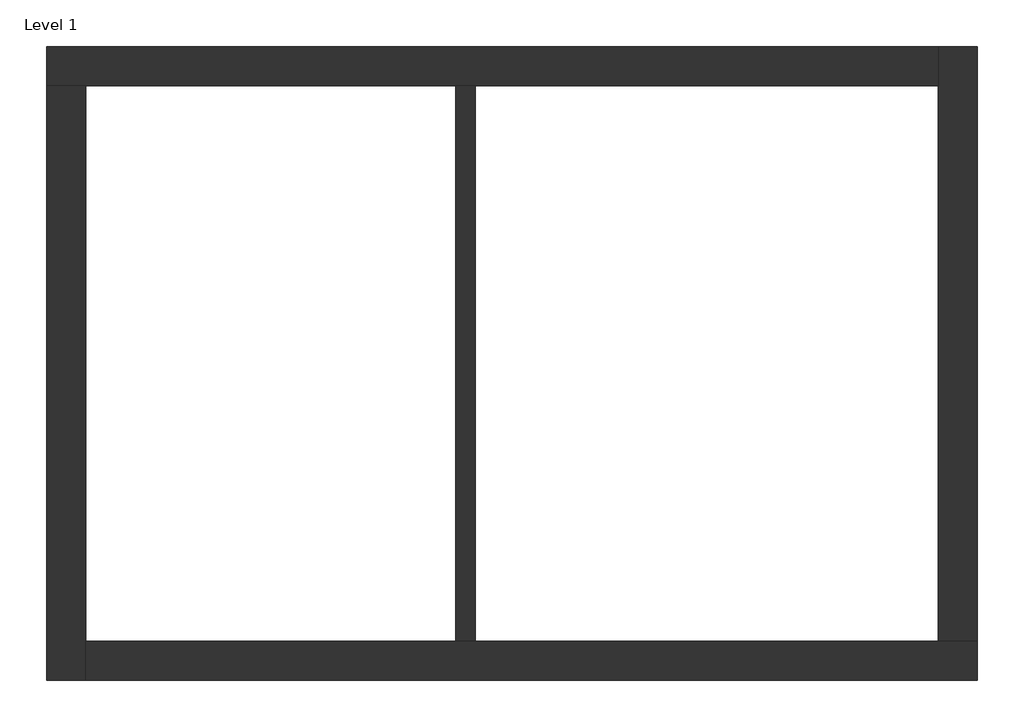
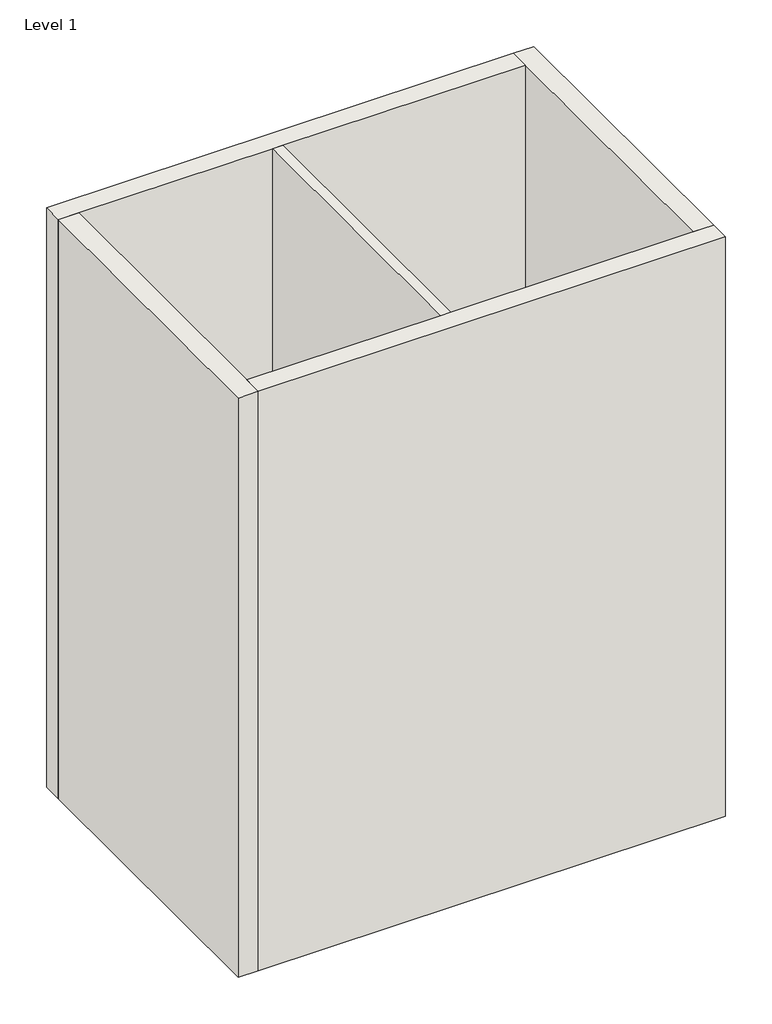
# One storey: 5 walls.
"""IFC4 building model written with IfcOpenShell, lengths in millimetres."""

from ifc_helpers import new_model, si_unit, origin, origin_with_axes, place, context, project, spatial, polyline, outline, extrude, faceted_brep, element, save

model = new_model("IFC4")

# Units and contexts
model_context = context("Model", 3, world=origin())
ifc_project = project(units=[si_unit("LENGTHUNIT", "METRE", prefix="MILLI")], contexts=[model_context])

# Site, building, storey
site = spatial("IfcSite", under=ifc_project)
building = spatial("IfcBuilding", under=site)
storey = spatial("IfcBuildingStorey", under=building, Name="Level 1", Elevation=0.0)

# Walls
placement = place(None, origin())
element("IfcWall", 1, ObjectType="Wall 1", at=placement, inside=storey, context=model_context, shape_type="Brep", body=[
    faceted_brep([(-88.1175168, 3525.4589927, 0.0), (115.0824832, 3525.4589927, 0.0), (2045.4824832, 3525.4589927, 0.0), (2147.0824832, 3525.4589927, 0.0), (4560.0824832, 3525.4589927, 0.0), (4560.0824832, 3525.4589927, 6096.0), (2147.0824832, 3525.4589927, 6096.0), (2045.4824832, 3525.4589927, 6096.0), (115.0824832, 3525.4589927, 6096.0), (-88.1175168, 3525.4589927, 6096.0), (-88.1175168, 3728.6589927, 0.0), (-88.1175168, 3728.6589927, 6096.0), (4560.0824832, 3728.6589927, 6096.0), (4560.0824832, 3728.6589927, 0.0)], [[[0, 1, 2, 3, 4, 5, 6, 7, 8, 9]], [[10, 11, 12, 13]], [[4, 3, 2, 1, 0, 10, 13]], [[9, 8, 7, 6, 5, 12, 11]], [[0, 9, 11, 10]], [[5, 4, 13, 12]]]),
])
element("IfcWall", 2, ObjectType="Wall 1", at=placement, inside=storey, context=model_context, shape_type="Brep", body=[
    faceted_brep([(115.0824832, 426.6589927, 0.0), (115.0824832, 629.8589927, 0.0), (115.0824832, 3525.4589927, 0.0), (115.0824832, 3525.4589927, 6096.0), (115.0824832, 629.8589927, 6096.0), (115.0824832, 426.6589927, 6096.0), (-88.1175168, 426.6589927, 0.0), (-88.1175168, 426.6589927, 6096.0), (-88.1175168, 3525.4589927, 6096.0), (-88.1175168, 3525.4589927, 0.0)], [[[0, 1, 2, 3, 4, 5]], [[6, 7, 8, 9]], [[2, 1, 0, 6, 9]], [[5, 4, 3, 8, 7]], [[0, 5, 7, 6]], [[3, 2, 9, 8]]]),
])
element("IfcWall", 3, ObjectType="Wall 1", at=placement, inside=storey, context=model_context, shape_type="Brep", body=[
    faceted_brep([(4763.2824832, 629.8589927, 0.0), (4560.0824832, 629.8589927, 0.0), (2147.0824832, 629.8589927, 0.0), (2045.4824832, 629.8589927, 0.0), (115.0824832, 629.8589927, 0.0), (115.0824832, 629.8589927, 6096.0), (2045.4824832, 629.8589927, 6096.0), (2147.0824832, 629.8589927, 6096.0), (4560.0824832, 629.8589927, 6096.0), (4763.2824832, 629.8589927, 6096.0), (4763.2824832, 426.6589927, 0.0), (4763.2824832, 426.6589927, 6096.0), (115.0824832, 426.6589927, 6096.0), (115.0824832, 426.6589927, 0.0)], [[[0, 1, 2, 3, 4, 5, 6, 7, 8, 9]], [[10, 11, 12, 13]], [[4, 3, 2, 1, 0, 10, 13]], [[9, 8, 7, 6, 5, 12, 11]], [[0, 9, 11, 10]], [[5, 4, 13, 12]]]),
])
element("IfcWall", 4, ObjectType="Wall 1", at=placement, inside=storey, context=model_context, shape_type="Brep", body=[
    faceted_brep([(4560.0824832, 3728.6589927, 0.0), (4560.0824832, 3525.4589927, 0.0), (4560.0824832, 629.8589927, 0.0), (4560.0824832, 629.8589927, 6096.0), (4560.0824832, 3525.4589927, 6096.0), (4560.0824832, 3728.6589927, 6096.0), (4763.2824832, 3728.6589927, 0.0), (4763.2824832, 3728.6589927, 6096.0), (4763.2824832, 629.8589927, 6096.0), (4763.2824832, 629.8589927, 0.0)], [[[0, 1, 2, 3, 4, 5]], [[6, 7, 8, 9]], [[2, 1, 0, 6, 9]], [[5, 4, 3, 8, 7]], [[0, 5, 7, 6]], [[3, 2, 9, 8]]]),
])
element("IfcWall", 5, ObjectType="int", at=placement, inside=storey, context=model_context, shape_type="SweptSolid", body=[
    extrude(outline(polyline([(2045.4824832, 629.8589927), (2045.4824832, 3525.4589927), (2147.0824832, 3525.4589927), (2147.0824832, 629.8589927), (2045.4824832, 629.8589927)])), origin_with_axes(), (0.0, 0.0, 1.0), 6096.0),
])

save(model, "model.ifc")
